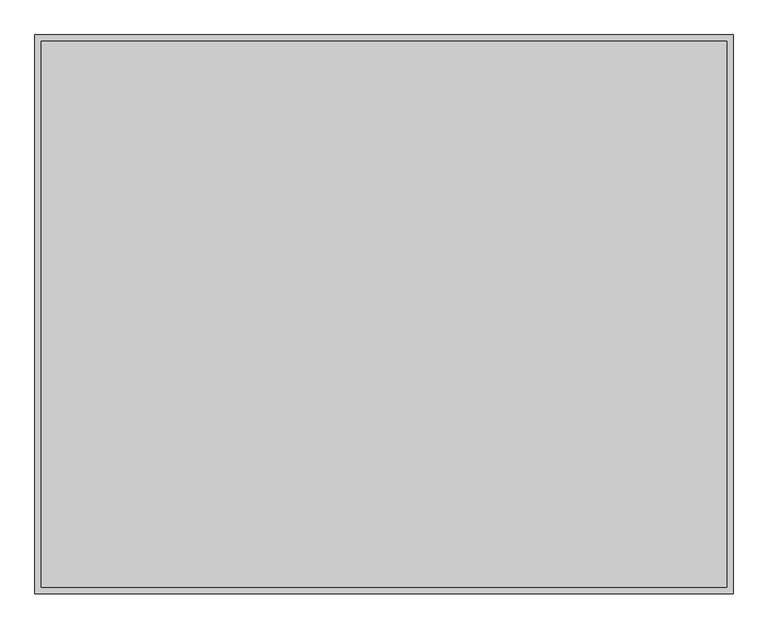
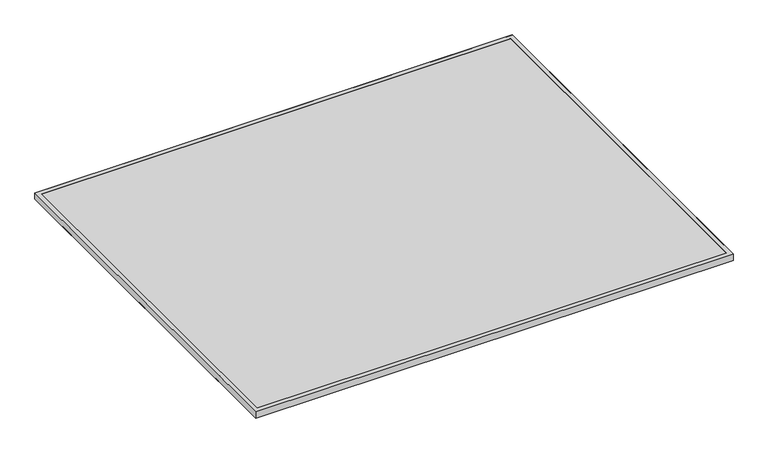
"""IFC4 building model written with IfcOpenShell, lengths in millimetres: proxy geometry."""

from ifc_helpers import new_model, si_unit, point, frame, frame_2d, origin, place, context, project, spatial, polyline, circle_curve, trimmed, segment, composite_curve, outline, extrude, faceted_brep, source, transform, mapped, element, save


def specialty_equipment_f2febf8a(model_context):
    return source(origin(), model_context, "Body", "SolidModel", [
        extrude(outline(composite_curve([segment(polyline([(388.9375, 5.07229), (387.3790283, 3.5138184), (380.2253, 3.5138184)]), True, "CONTINUOUS"), segment(trimmed(circle_curve(frame_2d((380.2253, 2.7010184)), 0.8128), [point((380.2253, 3.5138184))], [point((379.4125, 2.7010184))], True, "CARTESIAN"), True, "CONTINUOUS"), segment(polyline([(379.4125, 2.7010184), (379.4125, 0.0), (357.1875, 0.0)]), True, "CONTINUOUS"), segment(trimmed(circle_curve(frame_2d((360.7013184, 0.0)), 3.5138184), [point((357.1875, 0.0))], [point((360.7013184, 3.5138184))], False, "CARTESIAN"), True, "CONTINUOUS"), segment(polyline([(360.7013184, 3.5138184), (373.3796736, 3.5138184)]), True, "CONTINUOUS"), segment(trimmed(circle_curve(frame_2d((373.3796736, 4.3520184)), 0.8382), [point((373.3796736, 3.5138184))], [point((374.2178736, 4.3520184))], True, "CARTESIAN"), True, "CONTINUOUS"), segment(polyline([(374.2178736, 4.3520184), (374.2178736, 6.0198)]), True, "CONTINUOUS"), segment(trimmed(circle_curve(frame_2d((375.0560736, 6.0198)), 0.8382), [point((374.2178736, 6.0198))], [point((375.0560736, 6.858))], False, "CARTESIAN"), True, "CONTINUOUS"), segment(polyline([(375.0560736, 6.858), (388.9375, 6.858), (388.9375, 5.07229)]), True, "CONTINUOUS")], self_intersect=False)), frame((-711.2, 0.0, 0.0), z_axis=(1.0, 0.0, 0.0), x_axis=(0.0, 1.0, 0.0)), (0.0, 0.0, 1.0), 1422.4),
        extrude(outline(composite_curve([segment(polyline([(388.9375, 6.858), (465.1375, 6.858)]), True, "CONTINUOUS"), segment(trimmed(circle_curve(frame_2d((461.7085, 6.858)), 3.429), [point((465.1375, 6.858))], [point((461.7085, 3.429))], False, "CARTESIAN"), True, "CONTINUOUS"), segment(polyline([(461.7085, 3.429), (396.1003, 3.429)]), True, "CONTINUOUS"), segment(trimmed(circle_curve(frame_2d((396.1003, 2.6162)), 0.8128), [point((396.1003, 3.429))], [point((395.2875, 2.6162))], True, "CARTESIAN"), True, "CONTINUOUS"), segment(polyline([(395.2875, 2.6162), (395.2875, 0.0), (379.4125, 0.0), (379.4125, 0.8639404), (381.9775596, 3.429), (388.9375, 3.429), (388.9375, 6.858)]), True, "CONTINUOUS")], self_intersect=False)), frame((-711.2, 0.0, 0.0), z_axis=(1.0, 0.0, 0.0), x_axis=(0.0, 1.0, 0.0)), (0.0, 0.0, 1.0), 1422.4),
        extrude(outline(composite_curve([segment(polyline([(-423.8625, 5.07229), (-425.4209717, 3.5138184), (-432.5747, 3.5138184)]), True, "CONTINUOUS"), segment(trimmed(circle_curve(frame_2d((-432.5747, 2.7010184)), 0.8128), [point((-432.5747, 3.5138184))], [point((-433.3875, 2.7010184))], True, "CARTESIAN"), True, "CONTINUOUS"), segment(polyline([(-433.3875, 2.7010184), (-433.3875, 0.0), (-455.6125, 0.0)]), True, "CONTINUOUS"), segment(trimmed(circle_curve(frame_2d((-452.0986816, 0.0)), 3.5138184), [point((-455.6125, 0.0))], [point((-452.0986816, 3.5138184))], False, "CARTESIAN"), True, "CONTINUOUS"), segment(polyline([(-452.0986816, 3.5138184), (-439.4203264, 3.5138184)]), True, "CONTINUOUS"), segment(trimmed(circle_curve(frame_2d((-439.4203264, 4.3520184)), 0.8382), [point((-439.4203264, 3.5138184))], [point((-438.5821264, 4.3520184))], True, "CARTESIAN"), True, "CONTINUOUS"), segment(polyline([(-438.5821264, 4.3520184), (-438.5821264, 6.0198)]), True, "CONTINUOUS"), segment(trimmed(circle_curve(frame_2d((-437.7439264, 6.0198)), 0.8382), [point((-438.5821264, 6.0198))], [point((-437.7439264, 6.858))], False, "CARTESIAN"), True, "CONTINUOUS"), segment(polyline([(-437.7439264, 6.858), (-423.8625, 6.858), (-423.8625, 5.07229)]), True, "CONTINUOUS")], self_intersect=False)), frame((-711.2, 0.0, 0.0), z_axis=(1.0, 0.0, 0.0), x_axis=(0.0, 1.0, 0.0)), (0.0, 0.0, 1.0), 1422.4),
        extrude(outline(composite_curve([segment(polyline([(-423.8625, 6.858), (-347.6625, 6.858)]), True, "CONTINUOUS"), segment(trimmed(circle_curve(frame_2d((-351.0915, 6.858)), 3.429), [point((-347.6625, 6.858))], [point((-351.0915, 3.429))], False, "CARTESIAN"), True, "CONTINUOUS"), segment(polyline([(-351.0915, 3.429), (-416.6997, 3.429)]), True, "CONTINUOUS"), segment(trimmed(circle_curve(frame_2d((-416.6997, 2.6162)), 0.8128), [point((-416.6997, 3.429))], [point((-417.5125, 2.6162))], True, "CARTESIAN"), True, "CONTINUOUS"), segment(polyline([(-417.5125, 2.6162), (-417.5125, 0.0), (-433.3875, 0.0), (-433.3875, 0.8639404), (-430.8224404, 3.429), (-423.8625, 3.429), (-423.8625, 6.858)]), True, "CONTINUOUS")], self_intersect=False)), frame((-711.2, 0.0, 0.0), z_axis=(1.0, 0.0, 0.0), x_axis=(0.0, 1.0, 0.0)), (0.0, 0.0, 1.0), 1422.4),
        faceted_brep([(-762.0, -609.6, 6.8460937), (-762.0, -609.6, 26.6898437), (762.0, -609.6, 26.6898437), (762.0, -609.6, 6.8460937), (-762.8382, -610.4382, 27.5280437), (-762.8382, -610.4382, 5.7917824), (762.8382, -610.4382, 5.7917824), (762.8382, -610.4382, 27.5280437), (-749.3, -596.9, 26.6898437), (-749.3, -596.9, 27.5280437), (749.3, -596.9, 27.5280437), (749.3, -596.9, 26.6898437), (762.0, 609.6, 26.6898437), (762.0, 609.6, 6.8460937), (762.8382, 610.4382, 5.7917824), (762.8382, 610.4382, 27.5280437), (749.3, 596.9, 27.5280437), (749.3, 596.9, 26.6898437), (-762.0, 609.6, 26.6898437), (-762.0, 609.6, 6.8460937), (-762.8382, 610.4382, 5.7917824), (-762.8382, 610.4382, 27.5280437), (-749.3, 596.9, 27.5280437), (-749.3, 596.9, 26.6898437), (-749.3, -596.9, 6.8460937), (-749.3, 596.9, 6.8460937), (749.3, 596.9, 6.8460937), (749.3, -596.9, 6.8460937), (749.3, -596.9, 5.7917824), (749.3, 596.9, 5.7917824), (-749.3, 596.9, 5.7917824), (-749.3, -596.9, 5.7917824)], [[[0, 1, 2, 3]], [[4, 5, 6, 7]], [[8, 9, 10, 11]], [[3, 2, 12, 13]], [[7, 6, 14, 15]], [[11, 10, 16, 17]], [[13, 12, 18, 19]], [[15, 14, 20, 21]], [[17, 16, 22, 23]], [[1, 18, 12, 2], [11, 17, 23, 8]], [[19, 18, 1, 0]], [[3, 13, 19, 0], [24, 25, 26, 27]], [[21, 20, 5, 4]], [[7, 15, 21, 4], [9, 22, 16, 10]], [[23, 22, 9, 8]], [[28, 27, 26, 29]], [[29, 26, 25, 30]], [[30, 25, 24, 31]], [[31, 24, 27, 28]], [[6, 5, 20, 14], [29, 30, 31, 28]]]),
        extrude(outline(polyline([(762.0, -609.6), (-762.0, -609.6), (-762.0, 609.6), (762.0, 609.6), (762.0, -609.6)])), frame((0.0, 0.0, 20.3398438), z_axis=(0.0, 0.0, 1.0), x_axis=(1.0, 0.0, 0.0)), (0.0, 0.0, 1.0), 6.35),
        extrude(outline(polyline([(762.0, 609.6), (762.0, -609.6), (-762.0, -609.6), (-762.0, 609.6), (762.0, 609.6)])), frame((0.0, 0.0, 6.8460937), z_axis=(0.0, 0.0, 1.0), x_axis=(1.0, 0.0, 0.0)), (0.0, 0.0, 1.0), 13.49375),
    ])


if __name__ == "__main__":
    model = new_model("IFC4")
    model_context = context("Model", 3, world=origin())
    ifc_project = project(units=[si_unit("LENGTHUNIT", "METRE", prefix="MILLI")], contexts=[model_context])
    site = spatial("IfcSite", under=ifc_project)
    building = spatial("IfcBuilding", under=site)
    placement = place(None, origin())
    specialty_equipment_shape = specialty_equipment_f2febf8a(model_context)
    element("IfcBuildingElementProxy", 1, Name="Specialty Equipment", at=placement, inside=building, context=model_context, shape_type="MappedRepresentation", body=[
        mapped(specialty_equipment_shape, transform((0.0, 0.0, 0.0), x_axis=(1.0, 0.0, 0.0), y_axis=(0.0, 1.0, 0.0), z_axis=(0.0, 0.0, 1.0))),
    ])
    save(model, "model.ifc")
